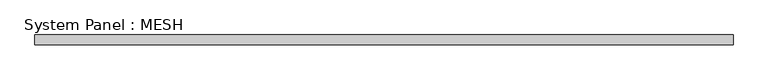
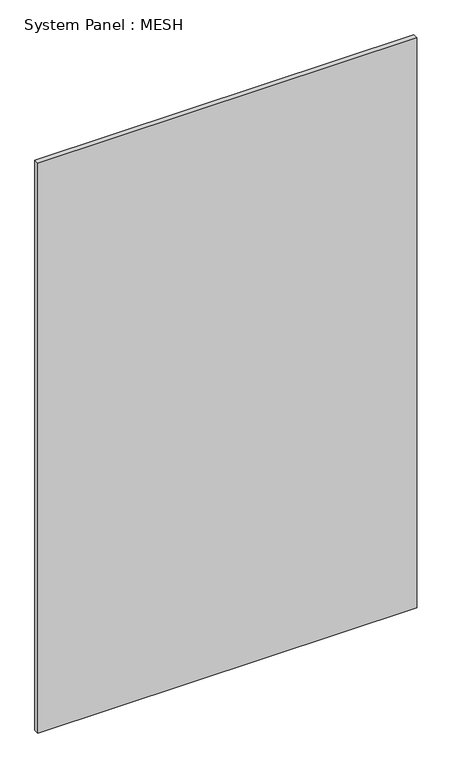
"""IFC4 building model written with IfcOpenShell, lengths in millimetres: plate geometry, System Panel : MESH."""

from ifc_helpers import new_model, si_unit, origin, origin_with_axes, place, context, project, spatial, polyline, outline, extrude, source, transform, mapped, element, save


def system_panel_mesh_4ba229f8(model_context):
    return source(origin(), model_context, "Body", "SweptSolid", [
        extrude(outline(polyline([(900.0056944, -12.5), (-900.0056944, -12.5), (-900.0056944, 12.5), (900.0056944, 12.5), (900.0056944, -12.5)])), origin_with_axes(), (0.0, 0.0, 1.0), 2860.0),
    ])


if __name__ == "__main__":
    model = new_model("IFC4")
    model_context = context("Model", 3, world=origin())
    ifc_project = project(units=[si_unit("LENGTHUNIT", "METRE", prefix="MILLI")], contexts=[model_context])
    site = spatial("IfcSite", under=ifc_project)
    building = spatial("IfcBuilding", under=site)
    placement = place(None, origin())
    system_panel_mesh_shape = system_panel_mesh_4ba229f8(model_context)
    element("IfcPlate", 1, ObjectType="System Panel : MESH", at=placement, inside=building, context=model_context, shape_type="MappedRepresentation", body=[
        mapped(system_panel_mesh_shape, transform((0.0, 0.0, 0.0), x_axis=(1.0, 0.0, 0.0), y_axis=(0.0, 1.0, 0.0), z_axis=(0.0, 0.0, 1.0))),
    ])
    save(model, "model.ifc")
